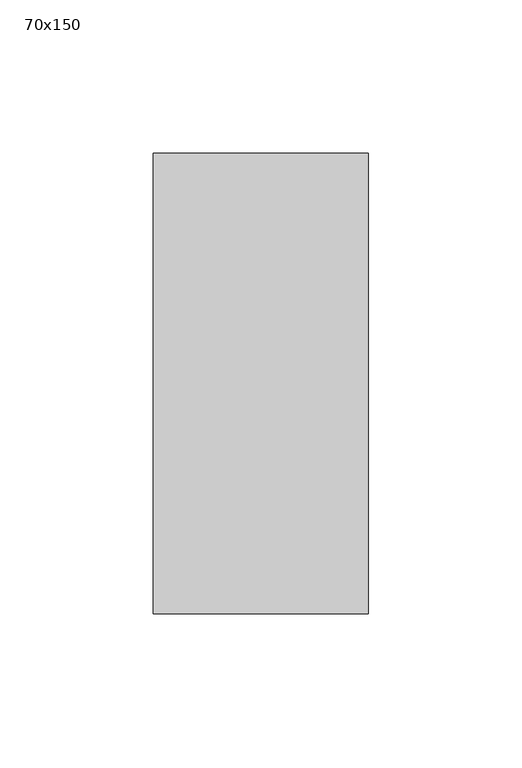
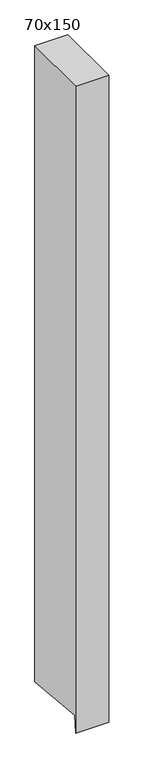
"""IFC4 building model written with IfcOpenShell, lengths in millimetres: member geometry, 70x150."""

from ifc_helpers import new_model, si_unit, frame, origin, place, context, project, spatial, polyline, outline, extrude, source, transform, mapped, element, save


def member_70x150_c00fb1ac(model_context):
    return source(origin(), model_context, "Body", "SweptSolid", [
        extrude(outline(polyline([(-75.0, 0.0), (75.0, 0.0), (75.0, -1428.9568113), (-71.3175368, -1414.9292753), (-75.0, -1453.34008), (-75.0, 0.0)])), frame((-70.0, 0.0, 0.0), z_axis=(1.0, 0.0, 0.0), x_axis=(0.0, 1.0, 0.0)), (0.0, 0.0, 1.0), 70.0),
    ])


if __name__ == "__main__":
    model = new_model("IFC4")
    model_context = context("Model", 3, world=origin())
    ifc_project = project(units=[si_unit("LENGTHUNIT", "METRE", prefix="MILLI")], contexts=[model_context])
    site = spatial("IfcSite", under=ifc_project)
    building = spatial("IfcBuilding", under=site)
    placement = place(None, origin())
    member_70x150_shape = member_70x150_c00fb1ac(model_context)
    element("IfcMember", 1, ObjectType="70x150", at=placement, inside=building, context=model_context, shape_type="MappedRepresentation", body=[
        mapped(member_70x150_shape, transform((0.0, 0.0, 0.0), x_axis=(1.0, 0.0, 0.0), y_axis=(0.0, 1.0, 0.0), z_axis=(0.0, 0.0, 1.0))),
    ])
    save(model, "model.ifc")
